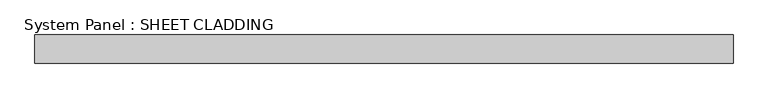
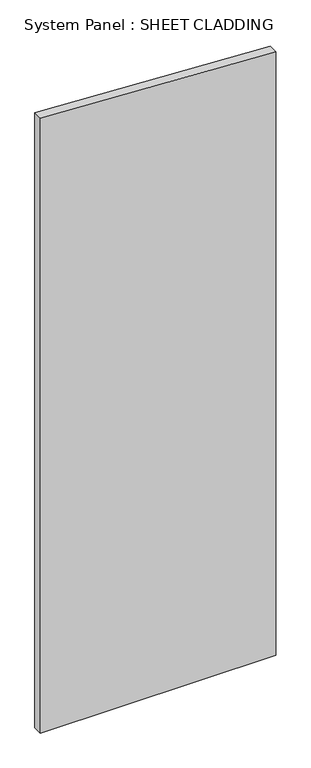
"""IFC4 building model written with IfcOpenShell, lengths in millimetres: plate geometry, System Panel : SHEET CLADDING."""

from ifc_helpers import new_model, si_unit, frame, origin, place, context, project, spatial, polyline, outline, extrude, source, transform, mapped, element, save


def system_panel_sheet_cladding_87032deb(model_context):
    return source(origin(), model_context, "Body", "SweptSolid", [
        extrude(outline(polyline([(0.0, -735.4591837), (0.0, 735.4591837), (3987.4469388, 735.4591837), (4060.9928571, -735.4591837), (0.0, -735.4591837)])), frame((0.0, -10.5, 0.0), z_axis=(0.0, 1.0, 0.0), x_axis=(0.0, 0.0, 1.0)), (0.0, 0.0, 1.0), 60.0),
    ])


if __name__ == "__main__":
    model = new_model("IFC4")
    model_context = context("Model", 3, world=origin())
    ifc_project = project(units=[si_unit("LENGTHUNIT", "METRE", prefix="MILLI")], contexts=[model_context])
    site = spatial("IfcSite", under=ifc_project)
    building = spatial("IfcBuilding", under=site)
    placement = place(None, origin())
    system_panel_sheet_cladding_shape = system_panel_sheet_cladding_87032deb(model_context)
    element("IfcPlate", 1, ObjectType="System Panel : SHEET CLADDING", at=placement, inside=building, context=model_context, shape_type="MappedRepresentation", body=[
        mapped(system_panel_sheet_cladding_shape, transform((0.0, 0.0, 0.0), x_axis=(1.0, 0.0, 0.0), y_axis=(0.0, 1.0, 0.0), z_axis=(0.0, 0.0, 1.0))),
    ])
    save(model, "model.ifc")
